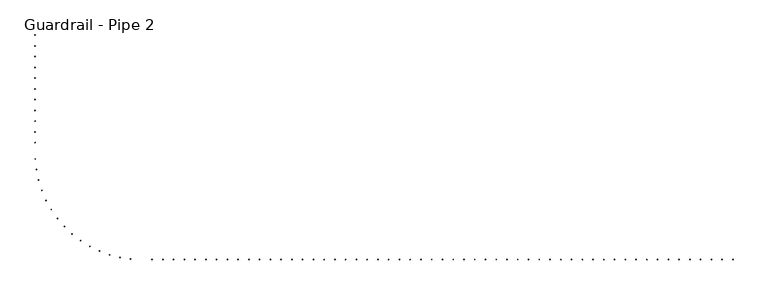
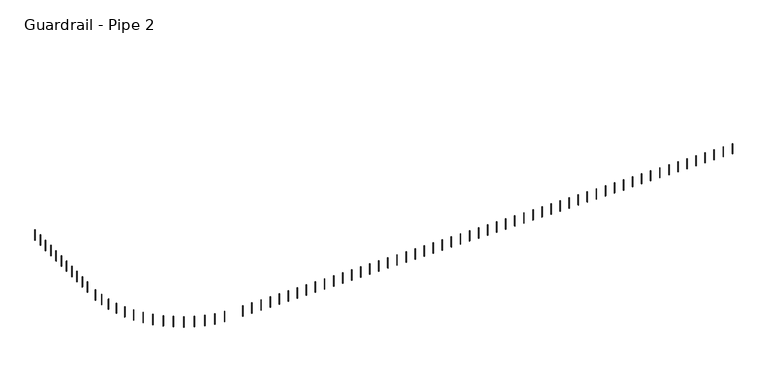
"""IFC4 building model written with IfcOpenShell, lengths in millimetres: railing geometry, Guardrail - Pipe 2."""

from ifc_helpers import new_model, si_unit, point, frame, frame_2d, origin, place, context, project, spatial, circle_curve, trimmed, segment, composite_curve, outline, extrude, source, transform, mapped, element, save


def guardrail_pipe_2_8be44288(model_context):
    return source(origin(), model_context, "Body", "SweptSolid", [
        extrude(outline(composite_curve([segment(trimmed(circle_curve(frame_2d((177464.8254676, -497409.0080223)), 12.7), [point((177452.1254676, -497409.0080223))], [point((177477.5254676, -497409.0080223))], False, "CARTESIAN"), True, "CONTINUOUS"), segment(trimmed(circle_curve(frame_2d((177464.8254676, -497409.0080223)), 12.7), [point((177477.5254676, -497409.0080223))], [point((177452.1254676, -497409.0080223))], False, "CARTESIAN"), True, "CONTINUOUS")], self_intersect=False)), frame((0.0, 0.0, 4267.2), z_axis=(0.0, 0.0, 1.0), x_axis=(1.0, 0.0, 0.0)), (0.0, 0.0, 1.0), 723.9),
        extrude(outline(composite_curve([segment(trimmed(circle_curve(frame_2d((177464.8254676, -498018.6080223)), 12.7), [point((177452.1254676, -498018.6080223))], [point((177477.5254676, -498018.6080223))], False, "CARTESIAN"), True, "CONTINUOUS"), segment(trimmed(circle_curve(frame_2d((177464.8254676, -498018.6080223)), 12.7), [point((177477.5254676, -498018.6080223))], [point((177452.1254676, -498018.6080223))], False, "CARTESIAN"), True, "CONTINUOUS")], self_intersect=False)), frame((0.0, 0.0, 4267.2), z_axis=(0.0, 0.0, 1.0), x_axis=(1.0, 0.0, 0.0)), (0.0, 0.0, 1.0), 723.9),
        extrude(outline(composite_curve([segment(trimmed(circle_curve(frame_2d((177464.8254676, -498628.2080223)), 12.7), [point((177452.1254676, -498628.2080223))], [point((177477.5254676, -498628.2080223))], False, "CARTESIAN"), True, "CONTINUOUS"), segment(trimmed(circle_curve(frame_2d((177464.8254676, -498628.2080223)), 12.7), [point((177477.5254676, -498628.2080223))], [point((177452.1254676, -498628.2080223))], False, "CARTESIAN"), True, "CONTINUOUS")], self_intersect=False)), frame((0.0, 0.0, 4267.2), z_axis=(0.0, 0.0, 1.0), x_axis=(1.0, 0.0, 0.0)), (0.0, 0.0, 1.0), 723.9),
        extrude(outline(composite_curve([segment(trimmed(circle_curve(frame_2d((177464.8254676, -499237.8080223)), 12.7), [point((177452.1254676, -499237.8080223))], [point((177477.5254676, -499237.8080223))], False, "CARTESIAN"), True, "CONTINUOUS"), segment(trimmed(circle_curve(frame_2d((177464.8254676, -499237.8080223)), 12.7), [point((177477.5254676, -499237.8080223))], [point((177452.1254676, -499237.8080223))], False, "CARTESIAN"), True, "CONTINUOUS")], self_intersect=False)), frame((0.0, 0.0, 4267.2), z_axis=(0.0, 0.0, 1.0), x_axis=(1.0, 0.0, 0.0)), (0.0, 0.0, 1.0), 723.9),
        extrude(outline(composite_curve([segment(trimmed(circle_curve(frame_2d((177464.8254676, -499847.4080223)), 12.7), [point((177452.1254676, -499847.4080223))], [point((177477.5254676, -499847.4080223))], False, "CARTESIAN"), True, "CONTINUOUS"), segment(trimmed(circle_curve(frame_2d((177464.8254676, -499847.4080223)), 12.7), [point((177477.5254676, -499847.4080223))], [point((177452.1254676, -499847.4080223))], False, "CARTESIAN"), True, "CONTINUOUS")], self_intersect=False)), frame((0.0, 0.0, 4267.2), z_axis=(0.0, 0.0, 1.0), x_axis=(1.0, 0.0, 0.0)), (0.0, 0.0, 1.0), 723.9),
        extrude(outline(composite_curve([segment(trimmed(circle_curve(frame_2d((177464.8254676, -500457.0080223)), 12.7), [point((177452.1254676, -500457.0080223))], [point((177477.5254676, -500457.0080223))], False, "CARTESIAN"), True, "CONTINUOUS"), segment(trimmed(circle_curve(frame_2d((177464.8254676, -500457.0080223)), 12.7), [point((177477.5254676, -500457.0080223))], [point((177452.1254676, -500457.0080223))], False, "CARTESIAN"), True, "CONTINUOUS")], self_intersect=False)), frame((0.0, 0.0, 4267.2), z_axis=(0.0, 0.0, 1.0), x_axis=(1.0, 0.0, 0.0)), (0.0, 0.0, 1.0), 723.9),
        extrude(outline(composite_curve([segment(trimmed(circle_curve(frame_2d((177464.8254676, -501066.6080223)), 12.7), [point((177452.1254676, -501066.6080223))], [point((177477.5254676, -501066.6080223))], False, "CARTESIAN"), True, "CONTINUOUS"), segment(trimmed(circle_curve(frame_2d((177464.8254676, -501066.6080223)), 12.7), [point((177477.5254676, -501066.6080223))], [point((177452.1254676, -501066.6080223))], False, "CARTESIAN"), True, "CONTINUOUS")], self_intersect=False)), frame((0.0, 0.0, 4267.2), z_axis=(0.0, 0.0, 1.0), x_axis=(1.0, 0.0, 0.0)), (0.0, 0.0, 1.0), 723.9),
        extrude(outline(composite_curve([segment(trimmed(circle_curve(frame_2d((177464.8254676, -501676.2080223)), 12.7), [point((177452.1254676, -501676.2080223))], [point((177477.5254676, -501676.2080223))], False, "CARTESIAN"), True, "CONTINUOUS"), segment(trimmed(circle_curve(frame_2d((177464.8254676, -501676.2080223)), 12.7), [point((177477.5254676, -501676.2080223))], [point((177452.1254676, -501676.2080223))], False, "CARTESIAN"), True, "CONTINUOUS")], self_intersect=False)), frame((0.0, 0.0, 4267.2), z_axis=(0.0, 0.0, 1.0), x_axis=(1.0, 0.0, 0.0)), (0.0, 0.0, 1.0), 723.9),
        extrude(outline(composite_curve([segment(trimmed(circle_curve(frame_2d((177464.8254676, -502285.8080223)), 12.7), [point((177452.1254676, -502285.8080223))], [point((177477.5254676, -502285.8080223))], False, "CARTESIAN"), True, "CONTINUOUS"), segment(trimmed(circle_curve(frame_2d((177464.8254676, -502285.8080223)), 12.7), [point((177477.5254676, -502285.8080223))], [point((177452.1254676, -502285.8080223))], False, "CARTESIAN"), True, "CONTINUOUS")], self_intersect=False)), frame((0.0, 0.0, 4267.2), z_axis=(0.0, 0.0, 1.0), x_axis=(1.0, 0.0, 0.0)), (0.0, 0.0, 1.0), 723.9),
        extrude(outline(composite_curve([segment(trimmed(circle_curve(frame_2d((177464.8254676, -502895.4080223)), 12.7), [point((177452.1254676, -502895.4080223))], [point((177477.5254676, -502895.4080223))], False, "CARTESIAN"), True, "CONTINUOUS"), segment(trimmed(circle_curve(frame_2d((177464.8254676, -502895.4080223)), 12.7), [point((177477.5254676, -502895.4080223))], [point((177452.1254676, -502895.4080223))], False, "CARTESIAN"), True, "CONTINUOUS")], self_intersect=False)), frame((0.0, 0.0, 4267.2), z_axis=(0.0, 0.0, 1.0), x_axis=(1.0, 0.0, 0.0)), (0.0, 0.0, 1.0), 723.9),
        extrude(outline(composite_curve([segment(trimmed(circle_curve(frame_2d((177464.8254676, -503505.0080223)), 12.7), [point((177452.1254676, -503505.0080223))], [point((177477.5254676, -503505.0080223))], False, "CARTESIAN"), True, "CONTINUOUS"), segment(trimmed(circle_curve(frame_2d((177464.8254676, -503505.0080223)), 12.7), [point((177477.5254676, -503505.0080223))], [point((177452.1254676, -503505.0080223))], False, "CARTESIAN"), True, "CONTINUOUS")], self_intersect=False)), frame((0.0, 0.0, 4267.2), z_axis=(0.0, 0.0, 1.0), x_axis=(1.0, 0.0, 0.0)), (0.0, 0.0, 1.0), 723.9),
        extrude(outline(composite_curve([segment(trimmed(circle_curve(frame_2d((177472.9027467, -504426.348246)), 12.7), [point((177460.2197874, -504427.0059258))], [point((177485.585706, -504425.6905662))], False, "CARTESIAN"), True, "CONTINUOUS"), segment(trimmed(circle_curve(frame_2d((177472.9027467, -504426.348246)), 12.7), [point((177485.585706, -504425.6905662))], [point((177460.2197874, -504427.0059258))], False, "CARTESIAN"), True, "CONTINUOUS")], self_intersect=False)), frame((0.0, 0.0, 4267.2), z_axis=(0.0, 0.0, 1.0), x_axis=(1.0, 0.0, 0.0)), (0.0, 0.0, 1.0), 723.9),
        extrude(outline(composite_curve([segment(trimmed(circle_curve(frame_2d((177535.2155249, -505032.4932946)), 12.7), [point((177522.6640271, -505034.4297614))], [point((177547.7670226, -505030.5568278))], False, "CARTESIAN"), True, "CONTINUOUS"), segment(trimmed(circle_curve(frame_2d((177535.2155249, -505032.4932946)), 12.7), [point((177547.7670226, -505030.5568278))], [point((177522.6640271, -505034.4297614))], False, "CARTESIAN"), True, "CONTINUOUS")], self_intersect=False)), frame((0.0, 0.0, 4267.2), z_axis=(0.0, 0.0, 1.0), x_axis=(1.0, 0.0, 0.0)), (0.0, 0.0, 1.0), 723.9),
        extrude(outline(composite_curve([segment(trimmed(circle_curve(frame_2d((177658.485996, -505629.2336847)), 12.7), [point((177646.1945625, -505632.4290975))], [point((177670.7774295, -505626.0382719))], False, "CARTESIAN"), True, "CONTINUOUS"), segment(trimmed(circle_curve(frame_2d((177658.485996, -505629.2336847)), 12.7), [point((177670.7774295, -505626.0382719))], [point((177646.1945625, -505632.4290975))], False, "CARTESIAN"), True, "CONTINUOUS")], self_intersect=False)), frame((0.0, 0.0, 4267.2), z_axis=(0.0, 0.0, 1.0), x_axis=(1.0, 0.0, 0.0)), (0.0, 0.0, 1.0), 723.9),
        extrude(outline(composite_curve([segment(trimmed(circle_curve(frame_2d((177841.45113, -506210.4552103)), 12.7), [point((177829.5456989, -506214.8768289))], [point((177853.3565611, -506206.0335918))], False, "CARTESIAN"), True, "CONTINUOUS"), segment(trimmed(circle_curve(frame_2d((177841.45113, -506210.4552103)), 12.7), [point((177853.3565611, -506206.0335918))], [point((177829.5456989, -506214.8768289))], False, "CARTESIAN"), True, "CONTINUOUS")], self_intersect=False)), frame((0.0, 0.0, 4267.2), z_axis=(0.0, 0.0, 1.0), x_axis=(1.0, 0.0, 0.0)), (0.0, 0.0, 1.0), 723.9),
        extrude(outline(composite_curve([segment(trimmed(circle_curve(frame_2d((178082.236265, -506770.2026721)), 12.7), [point((178070.8388195, -506775.8051925))], [point((178093.6337106, -506764.6001517))], False, "CARTESIAN"), True, "CONTINUOUS"), segment(trimmed(circle_curve(frame_2d((178082.236265, -506770.2026721)), 12.7), [point((178093.6337106, -506764.6001517))], [point((178070.8388195, -506775.8051925))], False, "CARTESIAN"), True, "CONTINUOUS")], self_intersect=False)), frame((0.0, 0.0, 4267.2), z_axis=(0.0, 0.0, 1.0), x_axis=(1.0, 0.0, 0.0)), (0.0, 0.0, 1.0), 723.9),
        extrude(outline(composite_curve([segment(trimmed(circle_curve(frame_2d((178378.374315, -507302.7408938)), 12.7), [point((178367.6016332, -507309.4669125))], [point((178389.1469967, -507296.0148751))], False, "CARTESIAN"), True, "CONTINUOUS"), segment(trimmed(circle_curve(frame_2d((178378.374315, -507302.7408938)), 12.7), [point((178389.1469967, -507296.0148751))], [point((178367.6016332, -507309.4669125))], False, "CARTESIAN"), True, "CONTINUOUS")], self_intersect=False)), frame((0.0, 0.0, 4267.2), z_axis=(0.0, 0.0, 1.0), x_axis=(1.0, 0.0, 0.0)), (0.0, 0.0, 1.0), 723.9),
        extrude(outline(composite_curve([segment(trimmed(circle_curve(frame_2d((178726.8310475, -507802.6134854)), 12.7), [point((178716.7935065, -507810.3940876))], [point((178736.8685884, -507794.8328831))], False, "CARTESIAN"), True, "CONTINUOUS"), segment(trimmed(circle_curve(frame_2d((178726.8310475, -507802.6134854)), 12.7), [point((178736.8685884, -507794.8328831))], [point((178716.7935065, -507810.3940876))], False, "CARTESIAN"), True, "CONTINUOUS")], self_intersect=False)), frame((0.0, 0.0, 4267.2), z_axis=(0.0, 0.0, 1.0), x_axis=(1.0, 0.0, 0.0)), (0.0, 0.0, 1.0), 723.9),
        extrude(outline(composite_curve([segment(trimmed(circle_curve(frame_2d((179124.0361725, -508264.698749)), 12.7), [point((179114.836617, -508273.4542146))], [point((179133.235728, -508255.9432833))], False, "CARTESIAN"), True, "CONTINUOUS"), segment(trimmed(circle_curve(frame_2d((179124.0361725, -508264.698749)), 12.7), [point((179133.235728, -508255.9432833))], [point((179114.836617, -508273.4542146))], False, "CARTESIAN"), True, "CONTINUOUS")], self_intersect=False)), frame((0.0, 0.0, 4267.2), z_axis=(0.0, 0.0, 1.0), x_axis=(1.0, 0.0, 0.0)), (0.0, 0.0, 1.0), 723.9),
        extrude(outline(composite_curve([segment(trimmed(circle_curve(frame_2d((179565.9199238, -508684.262156)), 12.7), [point((179557.6526126, -508693.9027765))], [point((179574.1872351, -508674.6215354))], False, "CARTESIAN"), True, "CONTINUOUS"), segment(trimmed(circle_curve(frame_2d((179565.9199238, -508684.262156)), 12.7), [point((179574.1872351, -508674.6215354))], [point((179557.6526126, -508693.9027765))], False, "CARTESIAN"), True, "CONTINUOUS")], self_intersect=False)), frame((0.0, 0.0, 4267.2), z_axis=(0.0, 0.0, 1.0), x_axis=(1.0, 0.0, 0.0)), (0.0, 0.0, 1.0), 723.9),
        extrude(outline(composite_curve([segment(trimmed(circle_curve(frame_2d((180047.9547577, -509057.004857)), 12.7), [point((180040.7043975, -509067.4318545))], [point((180055.2051178, -509046.5778595))], False, "CARTESIAN"), True, "CONTINUOUS"), segment(trimmed(circle_curve(frame_2d((180047.9547577, -509057.004857)), 12.7), [point((180055.2051178, -509046.5778595))], [point((180040.7043975, -509067.4318545))], False, "CARTESIAN"), True, "CONTINUOUS")], self_intersect=False)), frame((0.0, 0.0, 4267.2), z_axis=(0.0, 0.0, 1.0), x_axis=(1.0, 0.0, 0.0)), (0.0, 0.0, 1.0), 723.9),
        extrude(outline(composite_curve([segment(trimmed(circle_curve(frame_2d((180565.2017419, -509379.1077279)), 12.7), [point((180559.0426202, -509390.2142674))], [point((180571.3608637, -509368.0011884))], False, "CARTESIAN"), True, "CONTINUOUS"), segment(trimmed(circle_curve(frame_2d((180565.2017419, -509379.1077279)), 12.7), [point((180571.3608637, -509368.0011884))], [point((180559.0426202, -509390.2142674))], False, "CARTESIAN"), True, "CONTINUOUS")], self_intersect=False)), frame((0.0, 0.0, 4267.2), z_axis=(0.0, 0.0, 1.0), x_axis=(1.0, 0.0, 0.0)), (0.0, 0.0, 1.0), 723.9),
        extrude(outline(composite_curve([segment(trimmed(circle_curve(frame_2d((181112.3611607, -509647.2705006)), 12.7), [point((181107.3563837, -509658.9427843))], [point((181117.3659377, -509635.5982169))], False, "CARTESIAN"), True, "CONTINUOUS"), segment(trimmed(circle_curve(frame_2d((181112.3611607, -509647.2705006)), 12.7), [point((181117.3659377, -509635.5982169))], [point((181107.3563837, -509658.9427843))], False, "CARTESIAN"), True, "CONTINUOUS")], self_intersect=False)), frame((0.0, 0.0, 4267.2), z_axis=(0.0, 0.0, 1.0), x_axis=(1.0, 0.0, 0.0)), (0.0, 0.0, 1.0), 723.9),
        extrude(outline(composite_curve([segment(trimmed(circle_curve(frame_2d((181683.826815, -509858.7455775)), 12.7), [point((181680.0276617, -509870.8640112))], [point((181687.6259683, -509846.6271438))], False, "CARTESIAN"), True, "CONTINUOUS"), segment(trimmed(circle_curve(frame_2d((181683.826815, -509858.7455775)), 12.7), [point((181687.6259683, -509846.6271438))], [point((181680.0276617, -509870.8640112))], False, "CARTESIAN"), True, "CONTINUOUS")], self_intersect=False)), frame((0.0, 0.0, 4267.2), z_axis=(0.0, 0.0, 1.0), x_axis=(1.0, 0.0, 0.0)), (0.0, 0.0, 1.0), 723.9),
        extrude(outline(composite_curve([segment(trimmed(circle_curve(frame_2d((182273.743464, -510011.3661837)), 12.7), [point((182271.1888606, -510023.8066017))], [point((182276.2980674, -509998.9257656))], False, "CARTESIAN"), True, "CONTINUOUS"), segment(trimmed(circle_curve(frame_2d((182273.743464, -510011.3661837)), 12.7), [point((182276.2980674, -509998.9257656))], [point((182271.1888606, -510023.8066017))], False, "CARTESIAN"), True, "CONTINUOUS")], self_intersect=False)), frame((0.0, 0.0, 4267.2), z_axis=(0.0, 0.0, 1.0), x_axis=(1.0, 0.0, 0.0)), (0.0, 0.0, 1.0), 723.9),
        extrude(outline(composite_curve([segment(trimmed(circle_curve(frame_2d((182876.0668179, -510103.5685674)), 12.7), [point((182874.7829389, -510116.2035052))], [point((182877.3506969, -510090.9336295))], False, "CARTESIAN"), True, "CONTINUOUS"), segment(trimmed(circle_curve(frame_2d((182876.0668179, -510103.5685674)), 12.7), [point((182877.3506969, -510090.9336295))], [point((182874.7829389, -510116.2035052))], False, "CARTESIAN"), True, "CONTINUOUS")], self_intersect=False)), frame((0.0, 0.0, 4267.2), z_axis=(0.0, 0.0, 1.0), x_axis=(1.0, 0.0, 0.0)), (0.0, 0.0, 1.0), 723.9),
        extrude(outline(composite_curve([segment(trimmed(circle_curve(frame_2d((184094.2254676, -510134.4080223)), 12.7), [point((184094.2254676, -510147.1080223))], [point((184094.2254676, -510121.7080223))], False, "CARTESIAN"), True, "CONTINUOUS"), segment(trimmed(circle_curve(frame_2d((184094.2254676, -510134.4080223)), 12.7), [point((184094.2254676, -510121.7080223))], [point((184094.2254676, -510147.1080223))], False, "CARTESIAN"), True, "CONTINUOUS")], self_intersect=False)), frame((0.0, 0.0, 4267.2), z_axis=(0.0, 0.0, 1.0), x_axis=(1.0, 0.0, 0.0)), (0.0, 0.0, 1.0), 723.9),
        extrude(outline(composite_curve([segment(trimmed(circle_curve(frame_2d((184703.8254676, -510134.4080223)), 12.7), [point((184703.8254676, -510147.1080223))], [point((184703.8254676, -510121.7080223))], False, "CARTESIAN"), True, "CONTINUOUS"), segment(trimmed(circle_curve(frame_2d((184703.8254676, -510134.4080223)), 12.7), [point((184703.8254676, -510121.7080223))], [point((184703.8254676, -510147.1080223))], False, "CARTESIAN"), True, "CONTINUOUS")], self_intersect=False)), frame((0.0, 0.0, 4267.2), z_axis=(0.0, 0.0, 1.0), x_axis=(1.0, 0.0, 0.0)), (0.0, 0.0, 1.0), 723.9),
        extrude(outline(composite_curve([segment(trimmed(circle_curve(frame_2d((185313.4254676, -510134.4080223)), 12.7), [point((185313.4254676, -510147.1080223))], [point((185313.4254676, -510121.7080223))], False, "CARTESIAN"), True, "CONTINUOUS"), segment(trimmed(circle_curve(frame_2d((185313.4254676, -510134.4080223)), 12.7), [point((185313.4254676, -510121.7080223))], [point((185313.4254676, -510147.1080223))], False, "CARTESIAN"), True, "CONTINUOUS")], self_intersect=False)), frame((0.0, 0.0, 4267.2), z_axis=(0.0, 0.0, 1.0), x_axis=(1.0, 0.0, 0.0)), (0.0, 0.0, 1.0), 723.9),
        extrude(outline(composite_curve([segment(trimmed(circle_curve(frame_2d((185923.0254676, -510134.4080223)), 12.7), [point((185923.0254676, -510147.1080223))], [point((185923.0254676, -510121.7080223))], False, "CARTESIAN"), True, "CONTINUOUS"), segment(trimmed(circle_curve(frame_2d((185923.0254676, -510134.4080223)), 12.7), [point((185923.0254676, -510121.7080223))], [point((185923.0254676, -510147.1080223))], False, "CARTESIAN"), True, "CONTINUOUS")], self_intersect=False)), frame((0.0, 0.0, 4267.2), z_axis=(0.0, 0.0, 1.0), x_axis=(1.0, 0.0, 0.0)), (0.0, 0.0, 1.0), 723.9),
        extrude(outline(composite_curve([segment(trimmed(circle_curve(frame_2d((186532.6254676, -510134.4080223)), 12.7), [point((186532.6254676, -510147.1080223))], [point((186532.6254676, -510121.7080223))], False, "CARTESIAN"), True, "CONTINUOUS"), segment(trimmed(circle_curve(frame_2d((186532.6254676, -510134.4080223)), 12.7), [point((186532.6254676, -510121.7080223))], [point((186532.6254676, -510147.1080223))], False, "CARTESIAN"), True, "CONTINUOUS")], self_intersect=False)), frame((0.0, 0.0, 4267.2), z_axis=(0.0, 0.0, 1.0), x_axis=(1.0, 0.0, 0.0)), (0.0, 0.0, 1.0), 723.9),
        extrude(outline(composite_curve([segment(trimmed(circle_curve(frame_2d((187142.2254676, -510134.4080223)), 12.7), [point((187142.2254676, -510147.1080223))], [point((187142.2254676, -510121.7080223))], False, "CARTESIAN"), True, "CONTINUOUS"), segment(trimmed(circle_curve(frame_2d((187142.2254676, -510134.4080223)), 12.7), [point((187142.2254676, -510121.7080223))], [point((187142.2254676, -510147.1080223))], False, "CARTESIAN"), True, "CONTINUOUS")], self_intersect=False)), frame((0.0, 0.0, 4267.2), z_axis=(0.0, 0.0, 1.0), x_axis=(1.0, 0.0, 0.0)), (0.0, 0.0, 1.0), 723.9),
        extrude(outline(composite_curve([segment(trimmed(circle_curve(frame_2d((187751.8254676, -510134.4080223)), 12.7), [point((187751.8254676, -510147.1080223))], [point((187751.8254676, -510121.7080223))], False, "CARTESIAN"), True, "CONTINUOUS"), segment(trimmed(circle_curve(frame_2d((187751.8254676, -510134.4080223)), 12.7), [point((187751.8254676, -510121.7080223))], [point((187751.8254676, -510147.1080223))], False, "CARTESIAN"), True, "CONTINUOUS")], self_intersect=False)), frame((0.0, 0.0, 4267.2), z_axis=(0.0, 0.0, 1.0), x_axis=(1.0, 0.0, 0.0)), (0.0, 0.0, 1.0), 723.9),
        extrude(outline(composite_curve([segment(trimmed(circle_curve(frame_2d((188361.4254676, -510134.4080223)), 12.7), [point((188361.4254676, -510147.1080223))], [point((188361.4254676, -510121.7080223))], False, "CARTESIAN"), True, "CONTINUOUS"), segment(trimmed(circle_curve(frame_2d((188361.4254676, -510134.4080223)), 12.7), [point((188361.4254676, -510121.7080223))], [point((188361.4254676, -510147.1080223))], False, "CARTESIAN"), True, "CONTINUOUS")], self_intersect=False)), frame((0.0, 0.0, 4267.2), z_axis=(0.0, 0.0, 1.0), x_axis=(1.0, 0.0, 0.0)), (0.0, 0.0, 1.0), 723.9),
        extrude(outline(composite_curve([segment(trimmed(circle_curve(frame_2d((188971.0254676, -510134.4080223)), 12.7), [point((188971.0254676, -510147.1080223))], [point((188971.0254676, -510121.7080223))], False, "CARTESIAN"), True, "CONTINUOUS"), segment(trimmed(circle_curve(frame_2d((188971.0254676, -510134.4080223)), 12.7), [point((188971.0254676, -510121.7080223))], [point((188971.0254676, -510147.1080223))], False, "CARTESIAN"), True, "CONTINUOUS")], self_intersect=False)), frame((0.0, 0.0, 4267.2), z_axis=(0.0, 0.0, 1.0), x_axis=(1.0, 0.0, 0.0)), (0.0, 0.0, 1.0), 723.9),
        extrude(outline(composite_curve([segment(trimmed(circle_curve(frame_2d((189580.6254676, -510134.4080223)), 12.7), [point((189580.6254676, -510147.1080223))], [point((189580.6254676, -510121.7080223))], False, "CARTESIAN"), True, "CONTINUOUS"), segment(trimmed(circle_curve(frame_2d((189580.6254676, -510134.4080223)), 12.7), [point((189580.6254676, -510121.7080223))], [point((189580.6254676, -510147.1080223))], False, "CARTESIAN"), True, "CONTINUOUS")], self_intersect=False)), frame((0.0, 0.0, 4267.2), z_axis=(0.0, 0.0, 1.0), x_axis=(1.0, 0.0, 0.0)), (0.0, 0.0, 1.0), 723.9),
        extrude(outline(composite_curve([segment(trimmed(circle_curve(frame_2d((190190.2254676, -510134.4080223)), 12.7), [point((190190.2254676, -510147.1080223))], [point((190190.2254676, -510121.7080223))], False, "CARTESIAN"), True, "CONTINUOUS"), segment(trimmed(circle_curve(frame_2d((190190.2254676, -510134.4080223)), 12.7), [point((190190.2254676, -510121.7080223))], [point((190190.2254676, -510147.1080223))], False, "CARTESIAN"), True, "CONTINUOUS")], self_intersect=False)), frame((0.0, 0.0, 4267.2), z_axis=(0.0, 0.0, 1.0), x_axis=(1.0, 0.0, 0.0)), (0.0, 0.0, 1.0), 723.9),
        extrude(outline(composite_curve([segment(trimmed(circle_curve(frame_2d((190799.8254676, -510134.4080223)), 12.7), [point((190799.8254676, -510147.1080223))], [point((190799.8254676, -510121.7080223))], False, "CARTESIAN"), True, "CONTINUOUS"), segment(trimmed(circle_curve(frame_2d((190799.8254676, -510134.4080223)), 12.7), [point((190799.8254676, -510121.7080223))], [point((190799.8254676, -510147.1080223))], False, "CARTESIAN"), True, "CONTINUOUS")], self_intersect=False)), frame((0.0, 0.0, 4267.2), z_axis=(0.0, 0.0, 1.0), x_axis=(1.0, 0.0, 0.0)), (0.0, 0.0, 1.0), 723.9),
        extrude(outline(composite_curve([segment(trimmed(circle_curve(frame_2d((191409.4254676, -510134.4080223)), 12.7), [point((191409.4254676, -510147.1080223))], [point((191409.4254676, -510121.7080223))], False, "CARTESIAN"), True, "CONTINUOUS"), segment(trimmed(circle_curve(frame_2d((191409.4254676, -510134.4080223)), 12.7), [point((191409.4254676, -510121.7080223))], [point((191409.4254676, -510147.1080223))], False, "CARTESIAN"), True, "CONTINUOUS")], self_intersect=False)), frame((0.0, 0.0, 4267.2), z_axis=(0.0, 0.0, 1.0), x_axis=(1.0, 0.0, 0.0)), (0.0, 0.0, 1.0), 723.9),
        extrude(outline(composite_curve([segment(trimmed(circle_curve(frame_2d((192019.0254676, -510134.4080223)), 12.7), [point((192019.0254676, -510147.1080223))], [point((192019.0254676, -510121.7080223))], False, "CARTESIAN"), True, "CONTINUOUS"), segment(trimmed(circle_curve(frame_2d((192019.0254676, -510134.4080223)), 12.7), [point((192019.0254676, -510121.7080223))], [point((192019.0254676, -510147.1080223))], False, "CARTESIAN"), True, "CONTINUOUS")], self_intersect=False)), frame((0.0, 0.0, 4267.2), z_axis=(0.0, 0.0, 1.0), x_axis=(1.0, 0.0, 0.0)), (0.0, 0.0, 1.0), 723.9),
        extrude(outline(composite_curve([segment(trimmed(circle_curve(frame_2d((192628.6254676, -510134.4080223)), 12.7), [point((192628.6254676, -510147.1080223))], [point((192628.6254676, -510121.7080223))], False, "CARTESIAN"), True, "CONTINUOUS"), segment(trimmed(circle_curve(frame_2d((192628.6254676, -510134.4080223)), 12.7), [point((192628.6254676, -510121.7080223))], [point((192628.6254676, -510147.1080223))], False, "CARTESIAN"), True, "CONTINUOUS")], self_intersect=False)), frame((0.0, 0.0, 4267.2), z_axis=(0.0, 0.0, 1.0), x_axis=(1.0, 0.0, 0.0)), (0.0, 0.0, 1.0), 723.9),
        extrude(outline(composite_curve([segment(trimmed(circle_curve(frame_2d((193238.2254676, -510134.4080223)), 12.7), [point((193238.2254676, -510147.1080223))], [point((193238.2254676, -510121.7080223))], False, "CARTESIAN"), True, "CONTINUOUS"), segment(trimmed(circle_curve(frame_2d((193238.2254676, -510134.4080223)), 12.7), [point((193238.2254676, -510121.7080223))], [point((193238.2254676, -510147.1080223))], False, "CARTESIAN"), True, "CONTINUOUS")], self_intersect=False)), frame((0.0, 0.0, 4267.2), z_axis=(0.0, 0.0, 1.0), x_axis=(1.0, 0.0, 0.0)), (0.0, 0.0, 1.0), 723.9),
        extrude(outline(composite_curve([segment(trimmed(circle_curve(frame_2d((193847.8254676, -510134.4080223)), 12.7), [point((193847.8254676, -510147.1080223))], [point((193847.8254676, -510121.7080223))], False, "CARTESIAN"), True, "CONTINUOUS"), segment(trimmed(circle_curve(frame_2d((193847.8254676, -510134.4080223)), 12.7), [point((193847.8254676, -510121.7080223))], [point((193847.8254676, -510147.1080223))], False, "CARTESIAN"), True, "CONTINUOUS")], self_intersect=False)), frame((0.0, 0.0, 4267.2), z_axis=(0.0, 0.0, 1.0), x_axis=(1.0, 0.0, 0.0)), (0.0, 0.0, 1.0), 723.9),
        extrude(outline(composite_curve([segment(trimmed(circle_curve(frame_2d((194457.4254676, -510134.4080223)), 12.7), [point((194457.4254676, -510147.1080223))], [point((194457.4254676, -510121.7080223))], False, "CARTESIAN"), True, "CONTINUOUS"), segment(trimmed(circle_curve(frame_2d((194457.4254676, -510134.4080223)), 12.7), [point((194457.4254676, -510121.7080223))], [point((194457.4254676, -510147.1080223))], False, "CARTESIAN"), True, "CONTINUOUS")], self_intersect=False)), frame((0.0, 0.0, 4267.2), z_axis=(0.0, 0.0, 1.0), x_axis=(1.0, 0.0, 0.0)), (0.0, 0.0, 1.0), 723.9),
        extrude(outline(composite_curve([segment(trimmed(circle_curve(frame_2d((195067.0254676, -510134.4080223)), 12.7), [point((195067.0254676, -510147.1080223))], [point((195067.0254676, -510121.7080223))], False, "CARTESIAN"), True, "CONTINUOUS"), segment(trimmed(circle_curve(frame_2d((195067.0254676, -510134.4080223)), 12.7), [point((195067.0254676, -510121.7080223))], [point((195067.0254676, -510147.1080223))], False, "CARTESIAN"), True, "CONTINUOUS")], self_intersect=False)), frame((0.0, 0.0, 4267.2), z_axis=(0.0, 0.0, 1.0), x_axis=(1.0, 0.0, 0.0)), (0.0, 0.0, 1.0), 723.9),
        extrude(outline(composite_curve([segment(trimmed(circle_curve(frame_2d((195676.6254676, -510134.4080223)), 12.7), [point((195676.6254676, -510147.1080223))], [point((195676.6254676, -510121.7080223))], False, "CARTESIAN"), True, "CONTINUOUS"), segment(trimmed(circle_curve(frame_2d((195676.6254676, -510134.4080223)), 12.7), [point((195676.6254676, -510121.7080223))], [point((195676.6254676, -510147.1080223))], False, "CARTESIAN"), True, "CONTINUOUS")], self_intersect=False)), frame((0.0, 0.0, 4267.2), z_axis=(0.0, 0.0, 1.0), x_axis=(1.0, 0.0, 0.0)), (0.0, 0.0, 1.0), 723.9),
        extrude(outline(composite_curve([segment(trimmed(circle_curve(frame_2d((196286.2254676, -510134.4080223)), 12.7), [point((196286.2254676, -510147.1080223))], [point((196286.2254676, -510121.7080223))], False, "CARTESIAN"), True, "CONTINUOUS"), segment(trimmed(circle_curve(frame_2d((196286.2254676, -510134.4080223)), 12.7), [point((196286.2254676, -510121.7080223))], [point((196286.2254676, -510147.1080223))], False, "CARTESIAN"), True, "CONTINUOUS")], self_intersect=False)), frame((0.0, 0.0, 4267.2), z_axis=(0.0, 0.0, 1.0), x_axis=(1.0, 0.0, 0.0)), (0.0, 0.0, 1.0), 723.9),
        extrude(outline(composite_curve([segment(trimmed(circle_curve(frame_2d((196895.8254676, -510134.4080223)), 12.7), [point((196895.8254676, -510147.1080223))], [point((196895.8254676, -510121.7080223))], False, "CARTESIAN"), True, "CONTINUOUS"), segment(trimmed(circle_curve(frame_2d((196895.8254676, -510134.4080223)), 12.7), [point((196895.8254676, -510121.7080223))], [point((196895.8254676, -510147.1080223))], False, "CARTESIAN"), True, "CONTINUOUS")], self_intersect=False)), frame((0.0, 0.0, 4267.2), z_axis=(0.0, 0.0, 1.0), x_axis=(1.0, 0.0, 0.0)), (0.0, 0.0, 1.0), 723.9),
        extrude(outline(composite_curve([segment(trimmed(circle_curve(frame_2d((197505.4254676, -510134.4080223)), 12.7), [point((197505.4254676, -510147.1080223))], [point((197505.4254676, -510121.7080223))], False, "CARTESIAN"), True, "CONTINUOUS"), segment(trimmed(circle_curve(frame_2d((197505.4254676, -510134.4080223)), 12.7), [point((197505.4254676, -510121.7080223))], [point((197505.4254676, -510147.1080223))], False, "CARTESIAN"), True, "CONTINUOUS")], self_intersect=False)), frame((0.0, 0.0, 4267.2), z_axis=(0.0, 0.0, 1.0), x_axis=(1.0, 0.0, 0.0)), (0.0, 0.0, 1.0), 723.9),
        extrude(outline(composite_curve([segment(trimmed(circle_curve(frame_2d((198115.0254676, -510134.4080223)), 12.7), [point((198115.0254676, -510147.1080223))], [point((198115.0254676, -510121.7080223))], False, "CARTESIAN"), True, "CONTINUOUS"), segment(trimmed(circle_curve(frame_2d((198115.0254676, -510134.4080223)), 12.7), [point((198115.0254676, -510121.7080223))], [point((198115.0254676, -510147.1080223))], False, "CARTESIAN"), True, "CONTINUOUS")], self_intersect=False)), frame((0.0, 0.0, 4267.2), z_axis=(0.0, 0.0, 1.0), x_axis=(1.0, 0.0, 0.0)), (0.0, 0.0, 1.0), 723.9),
        extrude(outline(composite_curve([segment(trimmed(circle_curve(frame_2d((198724.6254676, -510134.4080223)), 12.7), [point((198724.6254676, -510147.1080223))], [point((198724.6254676, -510121.7080223))], False, "CARTESIAN"), True, "CONTINUOUS"), segment(trimmed(circle_curve(frame_2d((198724.6254676, -510134.4080223)), 12.7), [point((198724.6254676, -510121.7080223))], [point((198724.6254676, -510147.1080223))], False, "CARTESIAN"), True, "CONTINUOUS")], self_intersect=False)), frame((0.0, 0.0, 4267.2), z_axis=(0.0, 0.0, 1.0), x_axis=(1.0, 0.0, 0.0)), (0.0, 0.0, 1.0), 723.9),
        extrude(outline(composite_curve([segment(trimmed(circle_curve(frame_2d((199334.2254676, -510134.4080223)), 12.7), [point((199334.2254676, -510147.1080223))], [point((199334.2254676, -510121.7080223))], False, "CARTESIAN"), True, "CONTINUOUS"), segment(trimmed(circle_curve(frame_2d((199334.2254676, -510134.4080223)), 12.7), [point((199334.2254676, -510121.7080223))], [point((199334.2254676, -510147.1080223))], False, "CARTESIAN"), True, "CONTINUOUS")], self_intersect=False)), frame((0.0, 0.0, 4267.2), z_axis=(0.0, 0.0, 1.0), x_axis=(1.0, 0.0, 0.0)), (0.0, 0.0, 1.0), 723.9),
        extrude(outline(composite_curve([segment(trimmed(circle_curve(frame_2d((199943.8254676, -510134.4080223)), 12.7), [point((199943.8254676, -510147.1080223))], [point((199943.8254676, -510121.7080223))], False, "CARTESIAN"), True, "CONTINUOUS"), segment(trimmed(circle_curve(frame_2d((199943.8254676, -510134.4080223)), 12.7), [point((199943.8254676, -510121.7080223))], [point((199943.8254676, -510147.1080223))], False, "CARTESIAN"), True, "CONTINUOUS")], self_intersect=False)), frame((0.0, 0.0, 4267.2), z_axis=(0.0, 0.0, 1.0), x_axis=(1.0, 0.0, 0.0)), (0.0, 0.0, 1.0), 723.9),
        extrude(outline(composite_curve([segment(trimmed(circle_curve(frame_2d((200553.4254676, -510134.4080223)), 12.7), [point((200553.4254676, -510147.1080223))], [point((200553.4254676, -510121.7080223))], False, "CARTESIAN"), True, "CONTINUOUS"), segment(trimmed(circle_curve(frame_2d((200553.4254676, -510134.4080223)), 12.7), [point((200553.4254676, -510121.7080223))], [point((200553.4254676, -510147.1080223))], False, "CARTESIAN"), True, "CONTINUOUS")], self_intersect=False)), frame((0.0, 0.0, 4267.2), z_axis=(0.0, 0.0, 1.0), x_axis=(1.0, 0.0, 0.0)), (0.0, 0.0, 1.0), 723.9),
        extrude(outline(composite_curve([segment(trimmed(circle_curve(frame_2d((201163.0254676, -510134.4080223)), 12.7), [point((201163.0254676, -510147.1080223))], [point((201163.0254676, -510121.7080223))], False, "CARTESIAN"), True, "CONTINUOUS"), segment(trimmed(circle_curve(frame_2d((201163.0254676, -510134.4080223)), 12.7), [point((201163.0254676, -510121.7080223))], [point((201163.0254676, -510147.1080223))], False, "CARTESIAN"), True, "CONTINUOUS")], self_intersect=False)), frame((0.0, 0.0, 4267.2), z_axis=(0.0, 0.0, 1.0), x_axis=(1.0, 0.0, 0.0)), (0.0, 0.0, 1.0), 723.9),
        extrude(outline(composite_curve([segment(trimmed(circle_curve(frame_2d((201772.6254676, -510134.4080223)), 12.7), [point((201772.6254676, -510147.1080223))], [point((201772.6254676, -510121.7080223))], False, "CARTESIAN"), True, "CONTINUOUS"), segment(trimmed(circle_curve(frame_2d((201772.6254676, -510134.4080223)), 12.7), [point((201772.6254676, -510121.7080223))], [point((201772.6254676, -510147.1080223))], False, "CARTESIAN"), True, "CONTINUOUS")], self_intersect=False)), frame((0.0, 0.0, 4267.2), z_axis=(0.0, 0.0, 1.0), x_axis=(1.0, 0.0, 0.0)), (0.0, 0.0, 1.0), 723.9),
        extrude(outline(composite_curve([segment(trimmed(circle_curve(frame_2d((202382.2254676, -510134.4080223)), 12.7), [point((202382.2254676, -510147.1080223))], [point((202382.2254676, -510121.7080223))], False, "CARTESIAN"), True, "CONTINUOUS"), segment(trimmed(circle_curve(frame_2d((202382.2254676, -510134.4080223)), 12.7), [point((202382.2254676, -510121.7080223))], [point((202382.2254676, -510147.1080223))], False, "CARTESIAN"), True, "CONTINUOUS")], self_intersect=False)), frame((0.0, 0.0, 4267.2), z_axis=(0.0, 0.0, 1.0), x_axis=(1.0, 0.0, 0.0)), (0.0, 0.0, 1.0), 723.9),
        extrude(outline(composite_curve([segment(trimmed(circle_curve(frame_2d((202991.8254676, -510134.4080223)), 12.7), [point((202991.8254676, -510147.1080223))], [point((202991.8254676, -510121.7080223))], False, "CARTESIAN"), True, "CONTINUOUS"), segment(trimmed(circle_curve(frame_2d((202991.8254676, -510134.4080223)), 12.7), [point((202991.8254676, -510121.7080223))], [point((202991.8254676, -510147.1080223))], False, "CARTESIAN"), True, "CONTINUOUS")], self_intersect=False)), frame((0.0, 0.0, 4267.2), z_axis=(0.0, 0.0, 1.0), x_axis=(1.0, 0.0, 0.0)), (0.0, 0.0, 1.0), 723.9),
        extrude(outline(composite_curve([segment(trimmed(circle_curve(frame_2d((203601.4254676, -510134.4080223)), 12.7), [point((203601.4254676, -510147.1080223))], [point((203601.4254676, -510121.7080223))], False, "CARTESIAN"), True, "CONTINUOUS"), segment(trimmed(circle_curve(frame_2d((203601.4254676, -510134.4080223)), 12.7), [point((203601.4254676, -510121.7080223))], [point((203601.4254676, -510147.1080223))], False, "CARTESIAN"), True, "CONTINUOUS")], self_intersect=False)), frame((0.0, 0.0, 4267.2), z_axis=(0.0, 0.0, 1.0), x_axis=(1.0, 0.0, 0.0)), (0.0, 0.0, 1.0), 723.9),
        extrude(outline(composite_curve([segment(trimmed(circle_curve(frame_2d((204211.0254676, -510134.4080223)), 12.7), [point((204211.0254676, -510147.1080223))], [point((204211.0254676, -510121.7080223))], False, "CARTESIAN"), True, "CONTINUOUS"), segment(trimmed(circle_curve(frame_2d((204211.0254676, -510134.4080223)), 12.7), [point((204211.0254676, -510121.7080223))], [point((204211.0254676, -510147.1080223))], False, "CARTESIAN"), True, "CONTINUOUS")], self_intersect=False)), frame((0.0, 0.0, 4267.2), z_axis=(0.0, 0.0, 1.0), x_axis=(1.0, 0.0, 0.0)), (0.0, 0.0, 1.0), 723.9),
        extrude(outline(composite_curve([segment(trimmed(circle_curve(frame_2d((204820.6254676, -510134.4080223)), 12.7), [point((204820.6254676, -510147.1080223))], [point((204820.6254676, -510121.7080223))], False, "CARTESIAN"), True, "CONTINUOUS"), segment(trimmed(circle_curve(frame_2d((204820.6254676, -510134.4080223)), 12.7), [point((204820.6254676, -510121.7080223))], [point((204820.6254676, -510147.1080223))], False, "CARTESIAN"), True, "CONTINUOUS")], self_intersect=False)), frame((0.0, 0.0, 4267.2), z_axis=(0.0, 0.0, 1.0), x_axis=(1.0, 0.0, 0.0)), (0.0, 0.0, 1.0), 723.9),
        extrude(outline(composite_curve([segment(trimmed(circle_curve(frame_2d((205430.2254676, -510134.4080223)), 12.7), [point((205430.2254676, -510147.1080223))], [point((205430.2254676, -510121.7080223))], False, "CARTESIAN"), True, "CONTINUOUS"), segment(trimmed(circle_curve(frame_2d((205430.2254676, -510134.4080223)), 12.7), [point((205430.2254676, -510121.7080223))], [point((205430.2254676, -510147.1080223))], False, "CARTESIAN"), True, "CONTINUOUS")], self_intersect=False)), frame((0.0, 0.0, 4267.2), z_axis=(0.0, 0.0, 1.0), x_axis=(1.0, 0.0, 0.0)), (0.0, 0.0, 1.0), 723.9),
        extrude(outline(composite_curve([segment(trimmed(circle_curve(frame_2d((206039.8254676, -510134.4080223)), 12.7), [point((206039.8254676, -510147.1080223))], [point((206039.8254676, -510121.7080223))], False, "CARTESIAN"), True, "CONTINUOUS"), segment(trimmed(circle_curve(frame_2d((206039.8254676, -510134.4080223)), 12.7), [point((206039.8254676, -510121.7080223))], [point((206039.8254676, -510147.1080223))], False, "CARTESIAN"), True, "CONTINUOUS")], self_intersect=False)), frame((0.0, 0.0, 4267.2), z_axis=(0.0, 0.0, 1.0), x_axis=(1.0, 0.0, 0.0)), (0.0, 0.0, 1.0), 723.9),
        extrude(outline(composite_curve([segment(trimmed(circle_curve(frame_2d((206649.4254676, -510134.4080223)), 12.7), [point((206649.4254676, -510147.1080223))], [point((206649.4254676, -510121.7080223))], False, "CARTESIAN"), True, "CONTINUOUS"), segment(trimmed(circle_curve(frame_2d((206649.4254676, -510134.4080223)), 12.7), [point((206649.4254676, -510121.7080223))], [point((206649.4254676, -510147.1080223))], False, "CARTESIAN"), True, "CONTINUOUS")], self_intersect=False)), frame((0.0, 0.0, 4267.2), z_axis=(0.0, 0.0, 1.0), x_axis=(1.0, 0.0, 0.0)), (0.0, 0.0, 1.0), 723.9),
        extrude(outline(composite_curve([segment(trimmed(circle_curve(frame_2d((207259.0254676, -510134.4080223)), 12.7), [point((207259.0254676, -510147.1080223))], [point((207259.0254676, -510121.7080223))], False, "CARTESIAN"), True, "CONTINUOUS"), segment(trimmed(circle_curve(frame_2d((207259.0254676, -510134.4080223)), 12.7), [point((207259.0254676, -510121.7080223))], [point((207259.0254676, -510147.1080223))], False, "CARTESIAN"), True, "CONTINUOUS")], self_intersect=False)), frame((0.0, 0.0, 4267.2), z_axis=(0.0, 0.0, 1.0), x_axis=(1.0, 0.0, 0.0)), (0.0, 0.0, 1.0), 723.9),
        extrude(outline(composite_curve([segment(trimmed(circle_curve(frame_2d((207868.6254676, -510134.4080223)), 12.7), [point((207868.6254676, -510147.1080223))], [point((207868.6254676, -510121.7080223))], False, "CARTESIAN"), True, "CONTINUOUS"), segment(trimmed(circle_curve(frame_2d((207868.6254676, -510134.4080223)), 12.7), [point((207868.6254676, -510121.7080223))], [point((207868.6254676, -510147.1080223))], False, "CARTESIAN"), True, "CONTINUOUS")], self_intersect=False)), frame((0.0, 0.0, 4267.2), z_axis=(0.0, 0.0, 1.0), x_axis=(1.0, 0.0, 0.0)), (0.0, 0.0, 1.0), 723.9),
        extrude(outline(composite_curve([segment(trimmed(circle_curve(frame_2d((208478.2254676, -510134.4080223)), 12.7), [point((208478.2254676, -510147.1080223))], [point((208478.2254676, -510121.7080223))], False, "CARTESIAN"), True, "CONTINUOUS"), segment(trimmed(circle_curve(frame_2d((208478.2254676, -510134.4080223)), 12.7), [point((208478.2254676, -510121.7080223))], [point((208478.2254676, -510147.1080223))], False, "CARTESIAN"), True, "CONTINUOUS")], self_intersect=False)), frame((0.0, 0.0, 4267.2), z_axis=(0.0, 0.0, 1.0), x_axis=(1.0, 0.0, 0.0)), (0.0, 0.0, 1.0), 723.9),
        extrude(outline(composite_curve([segment(trimmed(circle_curve(frame_2d((209087.8254676, -510134.4080223)), 12.7), [point((209087.8254676, -510147.1080223))], [point((209087.8254676, -510121.7080223))], False, "CARTESIAN"), True, "CONTINUOUS"), segment(trimmed(circle_curve(frame_2d((209087.8254676, -510134.4080223)), 12.7), [point((209087.8254676, -510121.7080223))], [point((209087.8254676, -510147.1080223))], False, "CARTESIAN"), True, "CONTINUOUS")], self_intersect=False)), frame((0.0, 0.0, 4267.2), z_axis=(0.0, 0.0, 1.0), x_axis=(1.0, 0.0, 0.0)), (0.0, 0.0, 1.0), 723.9),
        extrude(outline(composite_curve([segment(trimmed(circle_curve(frame_2d((209697.4254676, -510134.4080223)), 12.7), [point((209697.4254676, -510147.1080223))], [point((209697.4254676, -510121.7080223))], False, "CARTESIAN"), True, "CONTINUOUS"), segment(trimmed(circle_curve(frame_2d((209697.4254676, -510134.4080223)), 12.7), [point((209697.4254676, -510121.7080223))], [point((209697.4254676, -510147.1080223))], False, "CARTESIAN"), True, "CONTINUOUS")], self_intersect=False)), frame((0.0, 0.0, 4267.2), z_axis=(0.0, 0.0, 1.0), x_axis=(1.0, 0.0, 0.0)), (0.0, 0.0, 1.0), 723.9),
        extrude(outline(composite_curve([segment(trimmed(circle_curve(frame_2d((210307.0254676, -510134.4080223)), 12.7), [point((210307.0254676, -510147.1080223))], [point((210307.0254676, -510121.7080223))], False, "CARTESIAN"), True, "CONTINUOUS"), segment(trimmed(circle_curve(frame_2d((210307.0254676, -510134.4080223)), 12.7), [point((210307.0254676, -510121.7080223))], [point((210307.0254676, -510147.1080223))], False, "CARTESIAN"), True, "CONTINUOUS")], self_intersect=False)), frame((0.0, 0.0, 4267.2), z_axis=(0.0, 0.0, 1.0), x_axis=(1.0, 0.0, 0.0)), (0.0, 0.0, 1.0), 723.9),
        extrude(outline(composite_curve([segment(trimmed(circle_curve(frame_2d((210916.6254676, -510134.4080223)), 12.7), [point((210916.6254676, -510147.1080223))], [point((210916.6254676, -510121.7080223))], False, "CARTESIAN"), True, "CONTINUOUS"), segment(trimmed(circle_curve(frame_2d((210916.6254676, -510134.4080223)), 12.7), [point((210916.6254676, -510121.7080223))], [point((210916.6254676, -510147.1080223))], False, "CARTESIAN"), True, "CONTINUOUS")], self_intersect=False)), frame((0.0, 0.0, 4267.2), z_axis=(0.0, 0.0, 1.0), x_axis=(1.0, 0.0, 0.0)), (0.0, 0.0, 1.0), 723.9),
        extrude(outline(composite_curve([segment(trimmed(circle_curve(frame_2d((211526.2254676, -510134.4080223)), 12.7), [point((211526.2254676, -510147.1080223))], [point((211526.2254676, -510121.7080223))], False, "CARTESIAN"), True, "CONTINUOUS"), segment(trimmed(circle_curve(frame_2d((211526.2254676, -510134.4080223)), 12.7), [point((211526.2254676, -510121.7080223))], [point((211526.2254676, -510147.1080223))], False, "CARTESIAN"), True, "CONTINUOUS")], self_intersect=False)), frame((0.0, 0.0, 4267.2), z_axis=(0.0, 0.0, 1.0), x_axis=(1.0, 0.0, 0.0)), (0.0, 0.0, 1.0), 723.9),
        extrude(outline(composite_curve([segment(trimmed(circle_curve(frame_2d((212135.8254676, -510134.4080223)), 12.7), [point((212135.8254676, -510147.1080223))], [point((212135.8254676, -510121.7080223))], False, "CARTESIAN"), True, "CONTINUOUS"), segment(trimmed(circle_curve(frame_2d((212135.8254676, -510134.4080223)), 12.7), [point((212135.8254676, -510121.7080223))], [point((212135.8254676, -510147.1080223))], False, "CARTESIAN"), True, "CONTINUOUS")], self_intersect=False)), frame((0.0, 0.0, 4267.2), z_axis=(0.0, 0.0, 1.0), x_axis=(1.0, 0.0, 0.0)), (0.0, 0.0, 1.0), 723.9),
        extrude(outline(composite_curve([segment(trimmed(circle_curve(frame_2d((212745.4254676, -510134.4080223)), 12.7), [point((212745.4254676, -510147.1080223))], [point((212745.4254676, -510121.7080223))], False, "CARTESIAN"), True, "CONTINUOUS"), segment(trimmed(circle_curve(frame_2d((212745.4254676, -510134.4080223)), 12.7), [point((212745.4254676, -510121.7080223))], [point((212745.4254676, -510147.1080223))], False, "CARTESIAN"), True, "CONTINUOUS")], self_intersect=False)), frame((0.0, 0.0, 4267.2), z_axis=(0.0, 0.0, 1.0), x_axis=(1.0, 0.0, 0.0)), (0.0, 0.0, 1.0), 723.9),
        extrude(outline(composite_curve([segment(trimmed(circle_curve(frame_2d((213355.0254676, -510134.4080223)), 12.7), [point((213355.0254676, -510147.1080223))], [point((213355.0254676, -510121.7080223))], False, "CARTESIAN"), True, "CONTINUOUS"), segment(trimmed(circle_curve(frame_2d((213355.0254676, -510134.4080223)), 12.7), [point((213355.0254676, -510121.7080223))], [point((213355.0254676, -510147.1080223))], False, "CARTESIAN"), True, "CONTINUOUS")], self_intersect=False)), frame((0.0, 0.0, 4267.2), z_axis=(0.0, 0.0, 1.0), x_axis=(1.0, 0.0, 0.0)), (0.0, 0.0, 1.0), 723.9),
        extrude(outline(composite_curve([segment(trimmed(circle_curve(frame_2d((213964.6254676, -510134.4080223)), 12.7), [point((213964.6254676, -510147.1080223))], [point((213964.6254676, -510121.7080223))], False, "CARTESIAN"), True, "CONTINUOUS"), segment(trimmed(circle_curve(frame_2d((213964.6254676, -510134.4080223)), 12.7), [point((213964.6254676, -510121.7080223))], [point((213964.6254676, -510147.1080223))], False, "CARTESIAN"), True, "CONTINUOUS")], self_intersect=False)), frame((0.0, 0.0, 4267.2), z_axis=(0.0, 0.0, 1.0), x_axis=(1.0, 0.0, 0.0)), (0.0, 0.0, 1.0), 723.9),
        extrude(outline(composite_curve([segment(trimmed(circle_curve(frame_2d((214574.2254676, -510134.4080223)), 12.7), [point((214574.2254676, -510147.1080223))], [point((214574.2254676, -510121.7080223))], False, "CARTESIAN"), True, "CONTINUOUS"), segment(trimmed(circle_curve(frame_2d((214574.2254676, -510134.4080223)), 12.7), [point((214574.2254676, -510121.7080223))], [point((214574.2254676, -510147.1080223))], False, "CARTESIAN"), True, "CONTINUOUS")], self_intersect=False)), frame((0.0, 0.0, 4267.2), z_axis=(0.0, 0.0, 1.0), x_axis=(1.0, 0.0, 0.0)), (0.0, 0.0, 1.0), 723.9),
        extrude(outline(composite_curve([segment(trimmed(circle_curve(frame_2d((215183.8254676, -510134.4080223)), 12.7), [point((215183.8254676, -510147.1080223))], [point((215183.8254676, -510121.7080223))], False, "CARTESIAN"), True, "CONTINUOUS"), segment(trimmed(circle_curve(frame_2d((215183.8254676, -510134.4080223)), 12.7), [point((215183.8254676, -510121.7080223))], [point((215183.8254676, -510147.1080223))], False, "CARTESIAN"), True, "CONTINUOUS")], self_intersect=False)), frame((0.0, 0.0, 4267.2), z_axis=(0.0, 0.0, 1.0), x_axis=(1.0, 0.0, 0.0)), (0.0, 0.0, 1.0), 723.9),
        extrude(outline(composite_curve([segment(trimmed(circle_curve(frame_2d((215793.4254676, -510134.4080223)), 12.7), [point((215793.4254676, -510147.1080223))], [point((215793.4254676, -510121.7080223))], False, "CARTESIAN"), True, "CONTINUOUS"), segment(trimmed(circle_curve(frame_2d((215793.4254676, -510134.4080223)), 12.7), [point((215793.4254676, -510121.7080223))], [point((215793.4254676, -510147.1080223))], False, "CARTESIAN"), True, "CONTINUOUS")], self_intersect=False)), frame((0.0, 0.0, 4267.2), z_axis=(0.0, 0.0, 1.0), x_axis=(1.0, 0.0, 0.0)), (0.0, 0.0, 1.0), 723.9),
        extrude(outline(composite_curve([segment(trimmed(circle_curve(frame_2d((216403.0254676, -510134.4080223)), 12.7), [point((216403.0254676, -510147.1080223))], [point((216403.0254676, -510121.7080223))], False, "CARTESIAN"), True, "CONTINUOUS"), segment(trimmed(circle_curve(frame_2d((216403.0254676, -510134.4080223)), 12.7), [point((216403.0254676, -510121.7080223))], [point((216403.0254676, -510147.1080223))], False, "CARTESIAN"), True, "CONTINUOUS")], self_intersect=False)), frame((0.0, 0.0, 4267.2), z_axis=(0.0, 0.0, 1.0), x_axis=(1.0, 0.0, 0.0)), (0.0, 0.0, 1.0), 723.9),
        extrude(outline(composite_curve([segment(trimmed(circle_curve(frame_2d((217012.6254676, -510134.4080223)), 12.7), [point((217012.6254676, -510147.1080223))], [point((217012.6254676, -510121.7080223))], False, "CARTESIAN"), True, "CONTINUOUS"), segment(trimmed(circle_curve(frame_2d((217012.6254676, -510134.4080223)), 12.7), [point((217012.6254676, -510121.7080223))], [point((217012.6254676, -510147.1080223))], False, "CARTESIAN"), True, "CONTINUOUS")], self_intersect=False)), frame((0.0, 0.0, 4267.2), z_axis=(0.0, 0.0, 1.0), x_axis=(1.0, 0.0, 0.0)), (0.0, 0.0, 1.0), 723.9),
    ])


if __name__ == "__main__":
    model = new_model("IFC4")
    model_context = context("Model", 3, world=origin())
    ifc_project = project(units=[si_unit("LENGTHUNIT", "METRE", prefix="MILLI")], contexts=[model_context])
    site = spatial("IfcSite", under=ifc_project)
    building = spatial("IfcBuilding", under=site)
    placement = place(None, origin())
    guardrail_pipe_2_shape = guardrail_pipe_2_8be44288(model_context)
    element("IfcRailing", 1, ObjectType="Guardrail - Pipe 2", at=placement, inside=building, context=model_context, shape_type="MappedRepresentation", body=[
        mapped(guardrail_pipe_2_shape, transform((0.0, 0.0, 0.0), x_axis=(1.0, 0.0, 0.0), y_axis=(0.0, 1.0, 0.0), z_axis=(0.0, 0.0, 1.0))),
    ])
    save(model, "model.ifc")
